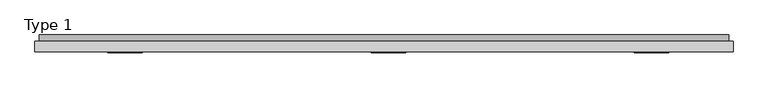
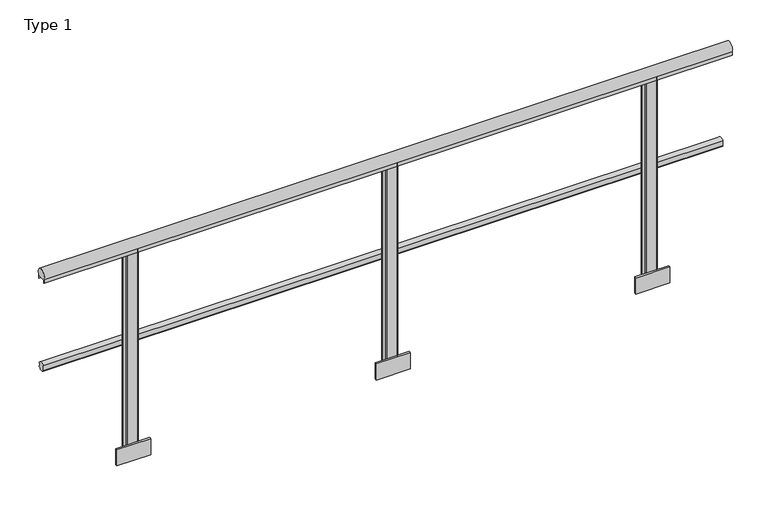
"""IFC4 building model written with IfcOpenShell, lengths in millimetres: railing geometry, Type 1."""

from ifc_helpers import new_model, si_unit, point, frame, frame_2d, origin, place, context, project, spatial, polyline, circle_curve, trimmed, segment, composite_curve, outline, extrude, source, transform, mapped, element, save


def type_1_8c490bad(model_context):
    return source(origin(), model_context, "Body", "SweptSolid", [
        extrude(outline(composite_curve([segment(trimmed(circle_curve(frame_2d((15.712495, 488.0)), 20.0), [point((34.3, 480.617273))], [point((0.0, 475.6259343))], False, "CARTESIAN"), True, "CONTINUOUS"), segment(polyline([(0.0, 475.6259343), (0.0, 500.3740657)]), True, "CONTINUOUS"), segment(trimmed(circle_curve(frame_2d((15.712495, 488.0)), 20.0), [point((0.0, 500.3740657))], [point((34.3, 495.382727))], False, "CARTESIAN"), True, "CONTINUOUS"), segment(polyline([(34.3, 495.382727), (30.3, 495.382727), (30.3, 480.617273), (34.3, 480.617273)]), True, "CONTINUOUS")], self_intersect=False)), frame((-370.0, 0.0, 0.0), z_axis=(1.0, 0.0, 0.0), x_axis=(0.0, 1.0, 0.0)), (0.0, 0.0, 1.0), 3200.0),
        extrude(outline(composite_curve([segment(trimmed(circle_curve(frame_2d((-19.0, 975.0)), 25.0), [point((-40.0, 961.43534))], [point((2.0, 961.43534))], False, "CARTESIAN"), True, "CONTINUOUS"), segment(polyline([(2.0, 961.43534), (2.0, 943.0), (1.0, 943.0), (1.0, 958.0), (-39.0, 958.0), (-39.0, 943.0), (-40.0, 943.0), (-40.0, 961.43534)]), True, "CONTINUOUS")], self_intersect=False)), frame((-390.0, 0.0, 0.0), z_axis=(1.0, 0.0, 0.0), x_axis=(0.0, 1.0, 0.0)), (0.0, 0.0, 1.0), 3240.0),
        extrude(outline(polyline([(1330.0, -48.5), (1170.0, -48.5), (1170.0, -38.0), (1330.0, -38.0), (1330.0, -48.5)])), frame((0.0, 0.0, -80.0), z_axis=(0.0, 0.0, 1.0), x_axis=(1.0, 0.0, 0.0)), (0.0, 0.0, 1.0), 80.0),
        extrude(outline(composite_curve([segment(trimmed(circle_curve(frame_2d((1227.0, -33.0)), 5.0), [point((1227.0, -38.0))], [point((1222.0, -33.0))], False, "CARTESIAN"), True, "CONTINUOUS"), segment(polyline([(1222.0, -33.0), (1222.0, -5.0)]), True, "CONTINUOUS"), segment(trimmed(circle_curve(frame_2d((1227.0, -5.0)), 5.0), [point((1222.0, -5.0))], [point((1227.0, 0.0))], False, "CARTESIAN"), True, "CONTINUOUS"), segment(polyline([(1227.0, 0.0), (1273.0, 0.0)]), True, "CONTINUOUS"), segment(trimmed(circle_curve(frame_2d((1273.0, -5.0)), 5.0), [point((1273.0, 0.0))], [point((1278.0, -5.0))], False, "CARTESIAN"), True, "CONTINUOUS"), segment(polyline([(1278.0, -5.0), (1278.0, -33.0)]), True, "CONTINUOUS"), segment(trimmed(circle_curve(frame_2d((1273.0, -33.0)), 5.0), [point((1278.0, -33.0))], [point((1273.0, -38.0))], False, "CARTESIAN"), True, "CONTINUOUS"), segment(polyline([(1273.0, -38.0), (1227.0, -38.0)]), True, "CONTINUOUS")], self_intersect=False)), frame((0.0, 0.0, -80.0), z_axis=(0.0, 0.0, 1.0), x_axis=(1.0, 0.0, 0.0)), (0.0, 0.0, 1.0), 1038.0),
        extrude(outline(polyline([(2552.0, -48.5), (2392.0, -48.5), (2392.0, -38.0), (2552.0, -38.0), (2552.0, -48.5)])), frame((0.0, 0.0, -80.0), z_axis=(0.0, 0.0, 1.0), x_axis=(1.0, 0.0, 0.0)), (0.0, 0.0, 1.0), 80.0),
        extrude(outline(composite_curve([segment(trimmed(circle_curve(frame_2d((2449.0, -33.0)), 5.0), [point((2449.0, -38.0))], [point((2444.0, -33.0))], False, "CARTESIAN"), True, "CONTINUOUS"), segment(polyline([(2444.0, -33.0), (2444.0, -5.0)]), True, "CONTINUOUS"), segment(trimmed(circle_curve(frame_2d((2449.0, -5.0)), 5.0), [point((2444.0, -5.0))], [point((2449.0, 0.0))], False, "CARTESIAN"), True, "CONTINUOUS"), segment(polyline([(2449.0, 0.0), (2495.0, 0.0)]), True, "CONTINUOUS"), segment(trimmed(circle_curve(frame_2d((2495.0, -5.0)), 5.0), [point((2495.0, 0.0))], [point((2500.0, -5.0))], False, "CARTESIAN"), True, "CONTINUOUS"), segment(polyline([(2500.0, -5.0), (2500.0, -33.0)]), True, "CONTINUOUS"), segment(trimmed(circle_curve(frame_2d((2495.0, -33.0)), 5.0), [point((2500.0, -33.0))], [point((2495.0, -38.0))], False, "CARTESIAN"), True, "CONTINUOUS"), segment(polyline([(2495.0, -38.0), (2449.0, -38.0)]), True, "CONTINUOUS")], self_intersect=False)), frame((0.0, 0.0, -80.0), z_axis=(0.0, 0.0, 1.0), x_axis=(1.0, 0.0, 0.0)), (0.0, 0.0, 1.0), 1038.0),
        extrude(outline(polyline([(108.0, -48.5), (-52.0, -48.5), (-52.0, -38.0), (108.0, -38.0), (108.0, -48.5)])), frame((0.0, 0.0, -80.0), z_axis=(0.0, 0.0, 1.0), x_axis=(1.0, 0.0, 0.0)), (0.0, 0.0, 1.0), 80.0),
        extrude(outline(composite_curve([segment(trimmed(circle_curve(frame_2d((5.0, -33.0)), 5.0), [point((5.0, -38.0))], [point((0.0, -33.0))], False, "CARTESIAN"), True, "CONTINUOUS"), segment(polyline([(0.0, -33.0), (0.0, -5.0)]), True, "CONTINUOUS"), segment(trimmed(circle_curve(frame_2d((5.0, -5.0)), 5.0), [point((0.0, -5.0))], [point((5.0, 0.0))], False, "CARTESIAN"), True, "CONTINUOUS"), segment(polyline([(5.0, 0.0), (51.0, 0.0)]), True, "CONTINUOUS"), segment(trimmed(circle_curve(frame_2d((51.0, -5.0)), 5.0), [point((51.0, 0.0))], [point((56.0, -5.0))], False, "CARTESIAN"), True, "CONTINUOUS"), segment(polyline([(56.0, -5.0), (56.0, -33.0)]), True, "CONTINUOUS"), segment(trimmed(circle_curve(frame_2d((51.0, -33.0)), 5.0), [point((56.0, -33.0))], [point((51.0, -38.0))], False, "CARTESIAN"), True, "CONTINUOUS"), segment(polyline([(51.0, -38.0), (5.0, -38.0)]), True, "CONTINUOUS")], self_intersect=False)), frame((0.0, 0.0, -80.0), z_axis=(0.0, 0.0, 1.0), x_axis=(1.0, 0.0, 0.0)), (0.0, 0.0, 1.0), 1038.0),
    ])


if __name__ == "__main__":
    model = new_model("IFC4")
    model_context = context("Model", 3, world=origin())
    ifc_project = project(units=[si_unit("LENGTHUNIT", "METRE", prefix="MILLI")], contexts=[model_context])
    site = spatial("IfcSite", under=ifc_project)
    building = spatial("IfcBuilding", under=site)
    placement = place(None, origin())
    type_1_shape = type_1_8c490bad(model_context)
    element("IfcRailing", 1, ObjectType="Type 1", at=placement, inside=building, context=model_context, shape_type="MappedRepresentation", body=[
        mapped(type_1_shape, transform((0.0, 0.0, 0.0), x_axis=(1.0, 0.0, 0.0), y_axis=(0.0, 1.0, 0.0), z_axis=(0.0, 0.0, 1.0))),
    ])
    save(model, "model.ifc")
